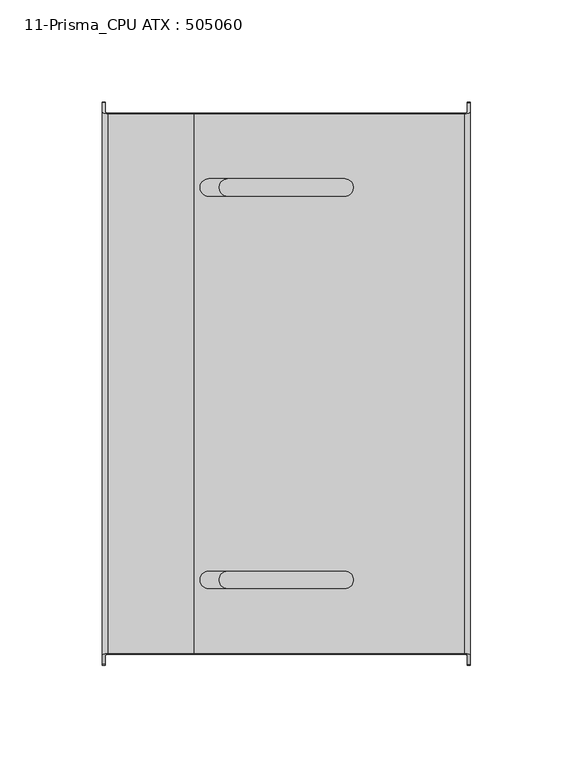
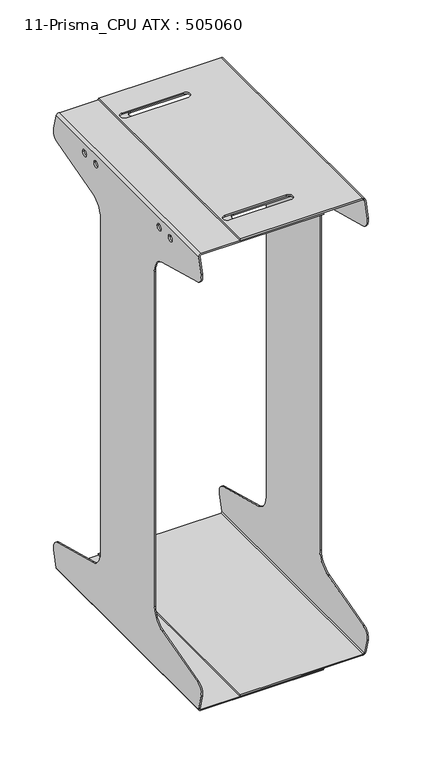
"""IFC4 building model written with IfcOpenShell, lengths in millimetres: furniture geometry, 11-Prisma_CPU ATX : 505060."""

from ifc_helpers import new_model, si_unit, frame, origin, place, context, project, spatial, polyline, circle_curve, ellipse_curve, source, transform, mapped, element, save
from ifc_brep_helpers import plane_surface, cylinder_surface, revolved_surface, advanced_brep


def furniture_11_prisma_cpu_atx_505060_334ce695(model_context):
    return source(origin(), model_context, "Body", "AdvancedBrep", [
        advanced_brep(
        [(122.8, 132.7653718, 518.5), (122.8, -132.7653718, 518.5), (122.8, -137.4118095, 501.1592583), (122.8, -130.3407417, 488.9118095), (122.8, -64.8236191, 471.3565494), (122.8, -50.0, 452.0380329), (122.8, -50.0, 70.9619671), (122.8, -64.8236191, 51.6434506), (122.8, -130.3407417, 34.0881905), (122.8, -137.4118095, 21.8407417), (122.8, -132.7653718, 4.5), (122.8, 132.7653718, 4.5), (122.8, 137.4118095, 21.8407417), (122.8, 130.3407417, 34.0881905), (122.8, 64.8236191, 51.6434506), (122.8, 50.0, 70.9619671), (122.8, 50.0, 452.0380329), (122.8, 64.8236191, 471.3565494), (122.8, 130.3407417, 488.9118095), (122.8, 137.4118095, 501.1592583), (122.8, -76.5, 508.0), (122.8, -83.5, 508.0), (122.8, -55.5, 508.0), (122.8, -62.5, 508.0), (122.8, 62.5, 508.0), (122.8, 55.5, 508.0), (122.8, 83.5, 508.0), (122.8, 76.5, 508.0), (119.8, 131.9615242, 1.5), (119.8, -131.9615242, 1.5), (-12.2, -131.9615242, 1.5), (-12.2, 131.9615242, 1.5), (-12.2, -132.363448, 3.0), (-12.2, 132.363448, 3.0), (119.8, -132.363448, 3.0), (119.8, 132.363448, 3.0), (121.3, 132.7653718, 4.5), (121.3, -132.7653718, 4.5), (121.3, -137.4118095, 21.8407417), (121.3, -130.3407417, 34.0881905), (121.3, -64.8236191, 51.6434506), (121.3, -50.0, 70.9619671), (121.3, -50.0, 452.0380329), (121.3, -64.8236191, 471.3565494), (121.3, -130.3407417, 488.9118095), (121.3, -137.4118095, 501.1592583), (121.3, -132.7653718, 518.5), (121.3, 132.7653718, 518.5), (121.3, 137.4118095, 501.1592583), (121.3, 130.3407417, 488.9118095), (121.3, 64.8236191, 471.3565494), (121.3, 50.0, 452.0380329), (121.3, 50.0, 70.9619671), (121.3, 64.8236191, 51.6434506), (121.3, 130.3407417, 34.0881905), (121.3, 137.4118095, 21.8407417), (121.3, -83.5, 508.0), (121.3, -76.5, 508.0), (121.3, -62.5, 508.0), (121.3, -55.5, 508.0), (121.3, 55.5, 508.0), (121.3, 62.5, 508.0), (121.3, 76.5, 508.0), (121.3, 83.5, 508.0), (119.8, 132.363448, 520.0), (119.8, -132.363448, 520.0), (-12.2, -132.363448, 520.0), (-12.2, 132.363448, 520.0), (-5.15, 91.75, 520.0), (61.35, 91.75, 520.0), (61.35, 100.25, 520.0), (-5.15, 100.25, 520.0), (-5.15, -100.25, 520.0), (61.35, -100.25, 520.0), (61.35, -91.75, 520.0), (-5.15, -91.75, 520.0), (-12.2, -131.9615242, 521.5), (-12.2, 131.9615242, 521.5), (119.8, -131.9615242, 521.5), (119.8, 131.9615242, 521.5), (61.35, 91.75, 521.5), (-5.15, 91.75, 521.5), (-5.15, 100.25, 521.5), (61.35, 100.25, 521.5), (61.35, -100.25, 521.5), (-5.15, -100.25, 521.5), (-5.15, -91.75, 521.5), (61.35, -91.75, 521.5)],
        [
            (0, 1),
            (1, 2),
            (2, 3, circle_curve(frame((122.8, -127.7525513, 498.5710678), z_axis=(1.0, 0.0, 0.0), x_axis=(0.0, -1.0000000000000004, 0.0)), 10.0)),
            (3, 4),
            (4, 5, circle_curve(frame((122.8, -70.0, 452.0380329), z_axis=(-1.0, 0.0, 0.0), x_axis=(0.0, -1.0000000000000004, 0.0)), 20.0)),
            (5, 6),
            (6, 7, circle_curve(frame((122.8, -70.0, 70.9619671), z_axis=(-1.0, 0.0, 0.0), x_axis=(0.0, -1.0000000000000004, 0.0)), 20.0)),
            (7, 8),
            (8, 9, circle_curve(frame((122.8, -127.7525513, 24.4289322), z_axis=(1.0, 0.0, 0.0), x_axis=(0.0, -1.0000000000000004, 0.0)), 10.0)),
            (9, 10),
            (10, 11),
            (11, 12),
            (12, 13, circle_curve(frame((122.8, 127.7525513, 24.4289322), z_axis=(1.0, 0.0, 0.0), x_axis=(0.0, -1.0000000000000004, 0.0)), 10.0)),
            (13, 14),
            (14, 15, circle_curve(frame((122.8, 70.0, 70.9619671), z_axis=(-1.0, 0.0, 0.0), x_axis=(0.0, -1.0000000000000004, 0.0)), 20.0)),
            (15, 16),
            (16, 17, circle_curve(frame((122.8, 70.0, 452.0380329), z_axis=(-1.0, 0.0, 0.0), x_axis=(0.0, -1.0000000000000004, 0.0)), 20.0)),
            (17, 18),
            (18, 19, circle_curve(frame((122.8, 127.7525513, 498.5710678), z_axis=(1.0, 0.0, 0.0), x_axis=(0.0, -1.0000000000000004, 0.0)), 10.0)),
            (19, 0),
            (20, 21, circle_curve(frame((122.8, -80.0, 508.0), z_axis=(-1.0, 0.0, 0.0), x_axis=(0.0, -1.0000000000000004, 0.0)), 3.5)),
            (21, 20, circle_curve(frame((122.8, -80.0, 508.0), z_axis=(-1.0, 0.0, 0.0), x_axis=(0.0, -1.0000000000000004, 0.0)), 3.5)),
            (22, 23, circle_curve(frame((122.8, -59.0, 508.0), z_axis=(-1.0, 0.0, 0.0), x_axis=(0.0, -1.0000000000000004, 0.0)), 3.5)),
            (23, 22, circle_curve(frame((122.8, -59.0, 508.0), z_axis=(-1.0, 0.0, 0.0), x_axis=(0.0, -1.0000000000000004, 0.0)), 3.5)),
            (24, 25, circle_curve(frame((122.8, 59.0, 508.0), z_axis=(-1.0, 0.0, 0.0), x_axis=(0.0, -1.0000000000000004, 0.0)), 3.5)),
            (25, 24, circle_curve(frame((122.8, 59.0, 508.0), z_axis=(-1.0, 0.0, 0.0), x_axis=(0.0, -1.0000000000000004, 0.0)), 3.5)),
            (26, 27, circle_curve(frame((122.8, 80.0, 508.0), z_axis=(-1.0, 0.0, 0.0), x_axis=(0.0, -1.0000000000000004, 0.0)), 3.5)),
            (27, 26, circle_curve(frame((122.8, 80.0, 508.0), z_axis=(-1.0, 0.0, 0.0), x_axis=(0.0, -1.0000000000000004, 0.0)), 3.5)),
            (28, 29),
            (29, 30),
            (30, 31),
            (31, 28),
            (30, 32),
            (32, 33),
            (33, 31),
            (32, 34),
            (34, 35),
            (35, 33),
            (36, 37),
            (37, 38),
            (38, 39, circle_curve(frame((121.3, -127.7525513, 24.4289322), z_axis=(-1.0, 0.0, 0.0), x_axis=(0.0, -1.0000000000000004, 0.0)), 10.0)),
            (39, 40),
            (40, 41, circle_curve(frame((121.3, -70.0, 70.9619671), z_axis=(1.0, 0.0, 0.0), x_axis=(0.0, -1.0000000000000004, 0.0)), 20.0)),
            (41, 42),
            (42, 43, circle_curve(frame((121.3, -70.0, 452.0380329), z_axis=(1.0, 0.0, 0.0), x_axis=(0.0, -1.0000000000000004, 0.0)), 20.0)),
            (43, 44),
            (44, 45, circle_curve(frame((121.3, -127.7525513, 498.5710678), z_axis=(-1.0, 0.0, 0.0), x_axis=(0.0, -1.0000000000000004, 0.0)), 10.0)),
            (45, 46),
            (46, 47),
            (47, 48),
            (48, 49, circle_curve(frame((121.3, 127.7525513, 498.5710678), z_axis=(-1.0, 0.0, 0.0), x_axis=(0.0, -1.0000000000000004, 0.0)), 10.0)),
            (49, 50),
            (50, 51, circle_curve(frame((121.3, 70.0, 452.0380329), z_axis=(1.0, 0.0, 0.0), x_axis=(0.0, -1.0000000000000004, 0.0)), 20.0)),
            (51, 52),
            (52, 53, circle_curve(frame((121.3, 70.0, 70.9619671), z_axis=(1.0, 0.0, 0.0), x_axis=(0.0, -1.0000000000000004, 0.0)), 20.0)),
            (53, 54),
            (54, 55, circle_curve(frame((121.3, 127.7525513, 24.4289322), z_axis=(-1.0, 0.0, 0.0), x_axis=(0.0, -1.0000000000000004, 0.0)), 10.0)),
            (55, 36),
            (56, 57, circle_curve(frame((121.3, -80.0, 508.0), z_axis=(1.0, 0.0, 0.0), x_axis=(0.0, -1.0000000000000004, 0.0)), 3.5)),
            (57, 56, circle_curve(frame((121.3, -80.0, 508.0), z_axis=(1.0, 0.0, 0.0), x_axis=(0.0, -1.0000000000000004, 0.0)), 3.5)),
            (58, 59, circle_curve(frame((121.3, -59.0, 508.0), z_axis=(1.0, 0.0, 0.0), x_axis=(0.0, -1.0000000000000004, 0.0)), 3.5)),
            (59, 58, circle_curve(frame((121.3, -59.0, 508.0), z_axis=(1.0, 0.0, 0.0), x_axis=(0.0, -1.0000000000000004, 0.0)), 3.5)),
            (60, 61, circle_curve(frame((121.3, 59.0, 508.0), z_axis=(1.0, 0.0, 0.0), x_axis=(0.0, -1.0000000000000004, 0.0)), 3.5)),
            (61, 60, circle_curve(frame((121.3, 59.0, 508.0), z_axis=(1.0, 0.0, 0.0), x_axis=(0.0, -1.0000000000000004, 0.0)), 3.5)),
            (62, 63, circle_curve(frame((121.3, 80.0, 508.0), z_axis=(1.0, 0.0, 0.0), x_axis=(0.0, -1.0000000000000004, 0.0)), 3.5)),
            (63, 62, circle_curve(frame((121.3, 80.0, 508.0), z_axis=(1.0, 0.0, 0.0), x_axis=(0.0, -1.0000000000000004, 0.0)), 3.5)),
            (64, 65),
            (65, 66),
            (66, 67),
            (67, 64),
            (68, 69),
            (69, 70, circle_curve(frame((61.35, 96.0, 520.0), z_axis=(0.0, 0.0, 1.0), x_axis=(-1.0000000000000004, 0.0, 0.0)), 4.25)),
            (70, 71),
            (71, 68, circle_curve(frame((-5.15, 96.0, 520.0), z_axis=(0.0, 0.0, 1.0), x_axis=(-1.0000000000000004, 0.0, 0.0)), 4.25)),
            (72, 73),
            (73, 74, circle_curve(frame((61.35, -96.0, 520.0), z_axis=(0.0, 0.0, 1.0), x_axis=(-1.0000000000000004, 0.0, 0.0)), 4.25)),
            (74, 75),
            (75, 72, circle_curve(frame((-5.15, -96.0, 520.0), z_axis=(0.0, 0.0, 1.0), x_axis=(-1.0000000000000004, 0.0, 0.0)), 4.25)),
            (66, 76),
            (76, 77),
            (77, 67),
            (76, 78),
            (78, 79),
            (79, 77),
            (80, 81),
            (81, 82, circle_curve(frame((-5.15, 96.0, 521.5), z_axis=(0.0, 0.0, -1.0), x_axis=(-1.0000000000000004, 0.0, 0.0)), 4.25)),
            (82, 83),
            (83, 80, circle_curve(frame((61.35, 96.0, 521.5), z_axis=(0.0, 0.0, -1.0), x_axis=(-1.0000000000000004, 0.0, 0.0)), 4.25)),
            (84, 85),
            (85, 86, circle_curve(frame((-5.15, -96.0, 521.5), z_axis=(0.0, 0.0, -1.0), x_axis=(-1.0000000000000004, 0.0, 0.0)), 4.25)),
            (86, 87),
            (87, 84, circle_curve(frame((61.35, -96.0, 521.5), z_axis=(0.0, 0.0, -1.0), x_axis=(-1.0000000000000004, 0.0, 0.0)), 4.25)),
            (0, 79, ellipse_curve(frame((119.8, 132.7653718, 518.5), z_axis=(0.0, -0.9659258262889407, -0.2588190451029969), x_axis=(0.0, 0.2588190451029966, -0.9659258262889409)), 3.1058285, 3.0)),
            (78, 1, ellipse_curve(frame((119.8, -132.7653718, 518.5), z_axis=(0.0, 0.9659258262889411, -0.2588190451029957), x_axis=(0.0, 0.2588190451029952, 0.9659258262889411)), 3.1058285, 3.0)),
            (28, 11, ellipse_curve(frame((119.8, 132.7653718, 4.5), z_axis=(0.0, -0.9659258262890739, 0.25881904510250003), x_axis=(0.0, 0.2588190451025, 0.965925826289074)), 3.1058285, 3.0)),
            (10, 29, ellipse_curve(frame((119.8, -132.7653718, 4.5), z_axis=(0.0, 0.9659258262890726, 0.258819045102505), x_axis=(0.0, 0.2588190451025041, -0.9659258262890728)), 3.1058285, 3.0)),
            (36, 35, ellipse_curve(frame((119.8, 132.7653718, 4.5), z_axis=(0.0, 0.9659258262890739, -0.25881904510250003), x_axis=(0.0, -0.2588190451025, -0.965925826289074)), 1.5529143, 1.5)),
            (34, 37, ellipse_curve(frame((119.8, -132.7653718, 4.5), z_axis=(0.0, -0.9659258262890726, -0.258819045102505), x_axis=(0.0, -0.2588190451025041, 0.9659258262890728)), 1.5529143, 1.5)),
            (64, 47, ellipse_curve(frame((119.8, 132.7653718, 518.5), z_axis=(0.0, 0.9659258262889407, 0.2588190451029969), x_axis=(0.0, -0.2588190451029966, 0.9659258262889409)), 1.5529143, 1.5)),
            (46, 65, ellipse_curve(frame((119.8, -132.7653718, 518.5), z_axis=(0.0, -0.9659258262889411, 0.2588190451029957), x_axis=(0.0, -0.2588190451029952, -0.9659258262889411)), 1.5529143, 1.5)),
            (55, 12),
            (54, 13),
            (53, 14),
            (52, 15),
            (51, 16),
            (50, 17),
            (49, 18),
            (48, 19),
            (45, 2),
            (44, 3),
            (43, 4),
            (42, 5),
            (41, 6),
            (40, 7),
            (39, 8),
            (38, 9),
            (20, 57),
            (56, 21),
            (22, 59),
            (58, 23),
            (24, 61),
            (60, 25),
            (26, 63),
            (62, 27),
            (68, 81),
            (80, 69),
            (83, 70),
            (82, 71),
            (72, 85),
            (84, 73),
            (87, 74),
            (86, 75),
        ],
        [
            plane_surface(frame((122.8, 140.0, 518.5), z_axis=(1.0, 0.0, 0.0), x_axis=(0.0, -1.0, 0.0))),
            plane_surface(frame((119.8, 140.0, 1.5), z_axis=(0.0, 0.0, -1.0), x_axis=(0.0, -1.0, 0.0))),
            plane_surface(frame((-12.2, 140.0, 1.5), z_axis=(-1.0, 0.0, 0.0), x_axis=(0.0, -1.0, 0.0))),
            plane_surface(frame((-12.2, 140.0, 3.0), z_axis=(0.0, 0.0, 1.0), x_axis=(0.0, -1.0, 0.0))),
            plane_surface(frame((121.3, 140.0, 4.5), z_axis=(-1.0, 0.0, 0.0), x_axis=(0.0, -1.0, 0.0))),
            plane_surface(frame((119.8, 140.0, 520.0), z_axis=(0.0, 0.0, -1.0), x_axis=(0.0, -1.0, 0.0))),
            plane_surface(frame((-12.2, 140.0, 520.0), z_axis=(-1.0, 0.0, 0.0), x_axis=(0.0, -1.0, 0.0))),
            plane_surface(frame((-12.2, 140.0, 521.5), z_axis=(0.0, 0.0, 1.0), x_axis=(0.0, -1.0, 0.0))),
            cylinder_surface(frame((119.8, -140.0, 518.5), z_axis=(0.0, 1.0000000000000004, 0.0), x_axis=(-1.0000000000000004, 0.0, 0.0)), 3.0),
            cylinder_surface(frame((119.8, -140.0, 4.5), z_axis=(0.0, 1.0000000000000004, 0.0), x_axis=(-1.0000000000000004, 0.0, 0.0)), 3.0),
            revolved_surface(polyline([(118.3, -133.16729559625202, 4.5), (118.3, 133.16729559625225, 4.5)]), (119.8, -140.0, 4.5), (0.0, -1.0000000000000004, 0.0)),
            revolved_surface(polyline([(118.3, -133.16729559625279, 518.5), (118.3, 133.16729559625304, 518.5)]), (119.8, -140.0, 518.5), (0.0, -1.0000000000000004, 0.0)),
            plane_surface(frame((-127.2, 131.9615242, 1.5), z_axis=(0.0, 0.9659258262890739, -0.25881904510250003), x_axis=(1.0, 0.0, 0.0))),
            cylinder_surface(frame((122.8, 127.7525513, 24.4289322), z_axis=(1.0000000000000004, 0.0, 0.0), x_axis=(0.0, -1.0000000000000004, 0.0)), 10.0),
            plane_surface(frame((-127.2, 130.3407417, 34.0881905), z_axis=(0.0, 0.25881904510250403, 0.9659258262890728), x_axis=(1.0, 0.0, 0.0))),
            revolved_surface(polyline([(121.3, 49.99999999999999, 70.9619671), (122.8, 49.99999999999999, 70.9619671)]), (122.8, 70.0, 70.9619671), (-1.0000000000000004, 0.0, 0.0)),
            plane_surface(frame((-127.2, 50.0, 70.9619671), z_axis=(0.0, 1.0, 0.0), x_axis=(1.0, 0.0, 0.0))),
            revolved_surface(polyline([(121.3, 49.99999999999999, 452.0380329), (122.8, 49.99999999999999, 452.0380329)]), (122.8, 70.0, 452.0380329), (-1.0000000000000004, 0.0, 0.0)),
            plane_surface(frame((-127.2, 64.8236191, 471.3565494), z_axis=(0.0, 0.25881904510248677, -0.9659258262890774), x_axis=(1.0, 0.0, 0.0))),
            cylinder_surface(frame((122.8, 127.7525513, 498.5710678), z_axis=(1.0000000000000004, 0.0, 0.0), x_axis=(0.0, -1.0000000000000004, 0.0)), 10.0),
            plane_surface(frame((-127.2, 137.4118095, 501.1592583), z_axis=(0.0, 0.9659258262889407, 0.2588190451029969), x_axis=(1.0, 0.0, 0.0))),
            plane_surface(frame((-127.2, -131.9615242, 521.5), z_axis=(0.0, -0.9659258262889411, 0.2588190451029957), x_axis=(1.0, 0.0, 0.0))),
            cylinder_surface(frame((122.8, -127.7525513, 498.5710678), z_axis=(1.0000000000000004, 0.0, 0.0), x_axis=(0.0, -1.0000000000000004, 0.0)), 10.0),
            plane_surface(frame((-127.2, -130.3407417, 488.9118095), z_axis=(0.0, -0.25881904510248993, -0.9659258262890765), x_axis=(1.0, 0.0, 0.0))),
            revolved_surface(polyline([(121.3, -90.0, 452.0380329), (122.8, -90.0, 452.0380329)]), (122.8, -70.0, 452.0380329), (-1.0000000000000004, 0.0, 0.0)),
            plane_surface(frame((-127.2, -50.0, 452.0380329), z_axis=(0.0, -1.0, 0.0), x_axis=(1.0, 0.0, 0.0))),
            revolved_surface(polyline([(121.3, -90.0, 70.9619671), (122.8, -90.0, 70.9619671)]), (122.8, -70.0, 70.9619671), (-1.0000000000000004, 0.0, 0.0)),
            plane_surface(frame((-127.2, -64.8236191, 51.6434506), z_axis=(0.0, -0.2588190451025042, 0.9659258262890728), x_axis=(1.0, 0.0, 0.0))),
            cylinder_surface(frame((122.8, -127.7525513, 24.4289322), z_axis=(1.0000000000000004, 0.0, 0.0), x_axis=(0.0, -1.0000000000000004, 0.0)), 10.0),
            plane_surface(frame((-127.2, -137.4118095, 21.8407417), z_axis=(0.0, -0.9659258262890726, -0.258819045102505), x_axis=(1.0, 0.0, 0.0))),
            revolved_surface(polyline([(121.3, -83.5, 508.0), (122.8, -83.5, 508.0)]), (122.8, -80.0, 508.0), (-1.0000000000000004, 0.0, 0.0)),
            revolved_surface(polyline([(121.3, -62.5, 508.0), (122.8, -62.5, 508.0)]), (122.8, -59.0, 508.0), (-1.0000000000000004, 0.0, 0.0)),
            revolved_surface(polyline([(121.3, 55.5, 508.0), (122.8, 55.5, 508.0)]), (122.8, 59.0, 508.0), (-1.0000000000000004, 0.0, 0.0)),
            revolved_surface(polyline([(121.3, 76.5, 508.0), (122.8, 76.5, 508.0)]), (122.8, 80.0, 508.0), (-1.0000000000000004, 0.0, 0.0)),
            plane_surface(frame((-5.15, 91.75, 541.5), z_axis=(0.0, 1.0, 0.0), x_axis=(0.0, 0.0, -1.0))),
            revolved_surface(polyline([(57.1, 96.0, 521.5), (57.1, 96.0, 520.0)]), (61.35, 96.0, 501.1592583), (0.0, 0.0, 1.0)),
            plane_surface(frame((61.35, 100.25, 541.5), z_axis=(0.0, -1.0, 0.0), x_axis=(0.0, 0.0, -1.0))),
            revolved_surface(polyline([(-9.400000000000002, 96.0, 521.5), (-9.400000000000002, 96.0, 520.0)]), (-5.15, 96.0, 501.1592583), (0.0, 0.0, 1.0)),
            plane_surface(frame((-5.15, -100.25, 541.5), z_axis=(0.0, 1.0, 0.0), x_axis=(0.0, 0.0, -1.0))),
            revolved_surface(polyline([(57.1, -96.0, 521.5), (57.1, -96.0, 520.0)]), (61.35, -96.0, 1.5), (0.0, 0.0, 1.0)),
            plane_surface(frame((61.35, -91.75, 541.5), z_axis=(0.0, -1.0, 0.0), x_axis=(0.0, 0.0, -1.0))),
            revolved_surface(polyline([(-9.400000000000002, -96.0, 521.5), (-9.400000000000002, -96.0, 520.0)]), (-5.15, -96.0, 1.5), (0.0, 0.0, 1.0)),
        ],
        [
            (0, [[1, 2, 3, 4, 5, 6, 7, 8, 9, 10, 11, 12, 13, 14, 15, 16, 17, 18, 19, 20], [21, 22], [23, 24], [25, 26], [27, 28]]),
            (1, [[29, 30, 31, 32]]),
            (2, [[-31, 33, 34, 35]]),
            (3, [[-34, 36, 37, 38]]),
            (4, [[39, 40, 41, 42, 43, 44, 45, 46, 47, 48, 49, 50, 51, 52, 53, 54, 55, 56, 57, 58], [59, 60], [61, 62], [63, 64], [65, 66]]),
            (5, [[67, 68, 69, 70], [71, 72, 73, 74], [75, 76, 77, 78]]),
            (6, [[-69, 79, 80, 81]]),
            (7, [[-80, 82, 83, 84], [85, 86, 87, 88], [89, 90, 91, 92]]),
            (8, [[-1, 93, -83, 94]]),
            (9, [[-29, 95, -11, 96]]),
            (10, [[-39, 97, -37, 98]]),
            (11, [[-67, 99, -49, 100]]),
            (12, [[101, -12, -95, -32, -35, -38, -97, -58]]),
            (13, [[-101, -57, 102, -13]]),
            (14, [[-102, -56, 103, -14]]),
            (15, [[-103, -55, 104, -15]]),
            (16, [[-104, -54, 105, -16]]),
            (17, [[-105, -53, 106, -17]]),
            (18, [[-106, -52, 107, -18]]),
            (19, [[-107, -51, 108, -19]]),
            (20, [[-108, -50, -99, -70, -81, -84, -93, -20]]),
            (21, [[109, -2, -94, -82, -79, -68, -100, -48]]),
            (22, [[-109, -47, 110, -3]]),
            (23, [[-110, -46, 111, -4]]),
            (24, [[-111, -45, 112, -5]]),
            (25, [[-112, -44, 113, -6]]),
            (26, [[-113, -43, 114, -7]]),
            (27, [[-114, -42, 115, -8]]),
            (28, [[-115, -41, 116, -9]]),
            (29, [[-116, -40, -98, -36, -33, -30, -96, -10]]),
            (30, [[117, -59, 118, -21]]),
            (30, [[-117, -22, -118, -60]]),
            (31, [[119, -61, 120, -23]]),
            (31, [[-119, -24, -120, -62]]),
            (32, [[121, -63, 122, -25]]),
            (32, [[-121, -26, -122, -64]]),
            (33, [[123, -65, 124, -27]]),
            (33, [[-123, -28, -124, -66]]),
            (34, [[125, -85, 126, -71]]),
            (35, [[-126, -88, 127, -72]]),
            (36, [[-127, -87, 128, -73]]),
            (37, [[-125, -74, -128, -86]]),
            (38, [[129, -89, 130, -75]]),
            (39, [[-130, -92, 131, -76]]),
            (40, [[-131, -91, 132, -77]]),
            (41, [[-129, -78, -132, -90]]),
        ],
    ),
        advanced_brep(
        [(-57.2, -132.7653718, 517.0), (-57.2, 132.7653718, 517.0), (-57.2, 137.4118095, 499.6592583), (-57.2, 130.3407417, 487.4118095), (-57.2, 64.8236191, 469.8565494), (-57.2, 50.0, 450.5380329), (-57.2, 50.0, 69.4619671), (-57.2, 64.8236191, 50.1434506), (-57.2, 130.3407417, 32.5881905), (-57.2, 137.4118095, 20.3407417), (-57.2, 132.7653718, 3.0), (-57.2, -132.7653718, 3.0), (-57.2, -137.4118095, 20.3407417), (-57.2, -130.3407417, 32.5881905), (-57.2, -64.8236191, 50.1434506), (-57.2, -50.0, 69.4619671), (-57.2, -50.0, 450.5380329), (-57.2, -64.8236191, 469.8565494), (-57.2, -130.3407417, 487.4118095), (-57.2, -137.4118095, 499.6592583), (-57.2, 76.5, 506.5), (-57.2, 83.5, 506.5), (-57.2, 55.5, 506.5), (-57.2, 62.5, 506.5), (-57.2, -62.5, 506.5), (-57.2, -55.5, 506.5), (-57.2, -83.5, 506.5), (-57.2, -76.5, 506.5), (-54.2, -131.9615242, 0.0), (-54.2, 131.9615242, 0.0), (77.8, 131.9615242, 0.0), (77.8, -131.9615242, 0.0), (77.8, 132.363448, 1.5), (77.8, -132.363448, 1.5), (-54.2, 132.363448, 1.5), (-54.2, -132.363448, 1.5), (-55.7, -132.7653718, 3.0), (-55.7, 132.7653718, 3.0), (-55.7, 137.4118095, 20.3407417), (-55.7, 130.3407417, 32.5881905), (-55.7, 64.8236191, 50.1434506), (-55.7, 50.0, 69.4619671), (-55.7, 50.0, 450.5380329), (-55.7, 64.8236191, 469.8565494), (-55.7, 130.3407417, 487.4118095), (-55.7, 137.4118095, 499.6592583), (-55.7, 132.7653718, 517.0), (-55.7, -132.7653718, 517.0), (-55.7, -137.4118095, 499.6592583), (-55.7, -130.3407417, 487.4118095), (-55.7, -64.8236191, 469.8565494), (-55.7, -50.0, 450.5380329), (-55.7, -50.0, 69.4619671), (-55.7, -64.8236191, 50.1434506), (-55.7, -130.3407417, 32.5881905), (-55.7, -137.4118095, 20.3407417), (-55.7, 83.5, 506.5), (-55.7, 76.5, 506.5), (-55.7, 62.5, 506.5), (-55.7, 55.5, 506.5), (-55.7, -55.5, 506.5), (-55.7, -62.5, 506.5), (-55.7, -76.5, 506.5), (-55.7, -83.5, 506.5), (-54.2, -132.363448, 518.5), (-54.2, 132.363448, 518.5), (77.8, 132.363448, 518.5), (77.8, -132.363448, 518.5), (70.75, -91.75, 518.5), (4.25, -91.75, 518.5), (4.25, -100.25, 518.5), (70.75, -100.25, 518.5), (70.75, 100.25, 518.5), (4.25, 100.25, 518.5), (4.25, 91.75, 518.5), (70.75, 91.75, 518.5), (77.8, 131.9615242, 520.0), (77.8, -131.9615242, 520.0), (-54.2, 131.9615242, 520.0), (-54.2, -131.9615242, 520.0), (4.25, -91.75, 520.0), (70.75, -91.75, 520.0), (70.75, -100.25, 520.0), (4.25, -100.25, 520.0), (4.25, 100.25, 520.0), (70.75, 100.25, 520.0), (70.75, 91.75, 520.0), (4.25, 91.75, 520.0)],
        [
            (0, 1),
            (1, 2),
            (2, 3, circle_curve(frame((-57.2, 127.7525513, 497.0710678), z_axis=(-1.0, 0.0, 0.0), x_axis=(0.0, 1.0, 0.0)), 10.0)),
            (3, 4),
            (4, 5, circle_curve(frame((-57.2, 70.0, 450.5380329), z_axis=(1.0, 0.0, 0.0), x_axis=(0.0, 1.0, 0.0)), 20.0)),
            (5, 6),
            (6, 7, circle_curve(frame((-57.2, 70.0, 69.4619671), z_axis=(1.0, 0.0, 0.0), x_axis=(0.0, 1.0, 0.0)), 20.0)),
            (7, 8),
            (8, 9, circle_curve(frame((-57.2, 127.7525513, 22.9289322), z_axis=(-1.0, 0.0, 0.0), x_axis=(0.0, 1.0, 0.0)), 10.0)),
            (9, 10),
            (10, 11),
            (11, 12),
            (12, 13, circle_curve(frame((-57.2, -127.7525513, 22.9289322), z_axis=(-1.0, 0.0, 0.0), x_axis=(0.0, 1.0, 0.0)), 10.0)),
            (13, 14),
            (14, 15, circle_curve(frame((-57.2, -70.0, 69.4619671), z_axis=(1.0, 0.0, 0.0), x_axis=(0.0, 1.0, 0.0)), 20.0)),
            (15, 16),
            (16, 17, circle_curve(frame((-57.2, -70.0, 450.5380329), z_axis=(1.0, 0.0, 0.0), x_axis=(0.0, 1.0, 0.0)), 20.0)),
            (17, 18),
            (18, 19, circle_curve(frame((-57.2, -127.7525513, 497.0710678), z_axis=(-1.0, 0.0, 0.0), x_axis=(0.0, 1.0, 0.0)), 10.0)),
            (19, 0),
            (20, 21, circle_curve(frame((-57.2, 80.0, 506.5), z_axis=(1.0, 0.0, 0.0), x_axis=(0.0, 1.0, 0.0)), 3.5)),
            (21, 20, circle_curve(frame((-57.2, 80.0, 506.5), z_axis=(1.0, 0.0, 0.0), x_axis=(0.0, 1.0, 0.0)), 3.5)),
            (22, 23, circle_curve(frame((-57.2, 59.0, 506.5), z_axis=(1.0, 0.0, 0.0), x_axis=(0.0, 1.0, 0.0)), 3.5)),
            (23, 22, circle_curve(frame((-57.2, 59.0, 506.5), z_axis=(1.0, 0.0, 0.0), x_axis=(0.0, 1.0, 0.0)), 3.5)),
            (24, 25, circle_curve(frame((-57.2, -59.0, 506.5), z_axis=(1.0, 0.0, 0.0), x_axis=(0.0, 1.0, 0.0)), 3.5)),
            (25, 24, circle_curve(frame((-57.2, -59.0, 506.5), z_axis=(1.0, 0.0, 0.0), x_axis=(0.0, 1.0, 0.0)), 3.5)),
            (26, 27, circle_curve(frame((-57.2, -80.0, 506.5), z_axis=(1.0, 0.0, 0.0), x_axis=(0.0, 1.0, 0.0)), 3.5)),
            (27, 26, circle_curve(frame((-57.2, -80.0, 506.5), z_axis=(1.0, 0.0, 0.0), x_axis=(0.0, 1.0, 0.0)), 3.5)),
            (28, 29),
            (29, 30),
            (30, 31),
            (31, 28),
            (30, 32),
            (32, 33),
            (33, 31),
            (32, 34),
            (34, 35),
            (35, 33),
            (36, 37),
            (37, 38),
            (38, 39, circle_curve(frame((-55.7, 127.7525513, 22.9289322), z_axis=(1.0, 0.0, 0.0), x_axis=(0.0, 1.0, 0.0)), 10.0)),
            (39, 40),
            (40, 41, circle_curve(frame((-55.7, 70.0, 69.4619671), z_axis=(-1.0, 0.0, 0.0), x_axis=(0.0, 1.0, 0.0)), 20.0)),
            (41, 42),
            (42, 43, circle_curve(frame((-55.7, 70.0, 450.5380329), z_axis=(-1.0, 0.0, 0.0), x_axis=(0.0, 1.0, 0.0)), 20.0)),
            (43, 44),
            (44, 45, circle_curve(frame((-55.7, 127.7525513, 497.0710678), z_axis=(1.0, 0.0, 0.0), x_axis=(0.0, 1.0, 0.0)), 10.0)),
            (45, 46),
            (46, 47),
            (47, 48),
            (48, 49, circle_curve(frame((-55.7, -127.7525513, 497.0710678), z_axis=(1.0, 0.0, 0.0), x_axis=(0.0, 1.0, 0.0)), 10.0)),
            (49, 50),
            (50, 51, circle_curve(frame((-55.7, -70.0, 450.5380329), z_axis=(-1.0, 0.0, 0.0), x_axis=(0.0, 1.0, 0.0)), 20.0)),
            (51, 52),
            (52, 53, circle_curve(frame((-55.7, -70.0, 69.4619671), z_axis=(-1.0, 0.0, 0.0), x_axis=(0.0, 1.0, 0.0)), 20.0)),
            (53, 54),
            (54, 55, circle_curve(frame((-55.7, -127.7525513, 22.9289322), z_axis=(1.0, 0.0, 0.0), x_axis=(0.0, 1.0, 0.0)), 10.0)),
            (55, 36),
            (56, 57, circle_curve(frame((-55.7, 80.0, 506.5), z_axis=(-1.0, 0.0, 0.0), x_axis=(0.0, 1.0, 0.0)), 3.5)),
            (57, 56, circle_curve(frame((-55.7, 80.0, 506.5), z_axis=(-1.0, 0.0, 0.0), x_axis=(0.0, 1.0, 0.0)), 3.5)),
            (58, 59, circle_curve(frame((-55.7, 59.0, 506.5), z_axis=(-1.0, 0.0, 0.0), x_axis=(0.0, 1.0, 0.0)), 3.5)),
            (59, 58, circle_curve(frame((-55.7, 59.0, 506.5), z_axis=(-1.0, 0.0, 0.0), x_axis=(0.0, 1.0, 0.0)), 3.5)),
            (60, 61, circle_curve(frame((-55.7, -59.0, 506.5), z_axis=(-1.0, 0.0, 0.0), x_axis=(0.0, 1.0, 0.0)), 3.5)),
            (61, 60, circle_curve(frame((-55.7, -59.0, 506.5), z_axis=(-1.0, 0.0, 0.0), x_axis=(0.0, 1.0, 0.0)), 3.5)),
            (62, 63, circle_curve(frame((-55.7, -80.0, 506.5), z_axis=(-1.0, 0.0, 0.0), x_axis=(0.0, 1.0, 0.0)), 3.5)),
            (63, 62, circle_curve(frame((-55.7, -80.0, 506.5), z_axis=(-1.0, 0.0, 0.0), x_axis=(0.0, 1.0, 0.0)), 3.5)),
            (64, 65),
            (65, 66),
            (66, 67),
            (67, 64),
            (68, 69),
            (69, 70, circle_curve(frame((4.25, -96.0, 518.5), z_axis=(0.0, 0.0, 1.0), x_axis=(1.0, 0.0, 0.0)), 4.25)),
            (70, 71),
            (71, 68, circle_curve(frame((70.75, -96.0, 518.5), z_axis=(0.0, 0.0, 1.0), x_axis=(1.0, 0.0, 0.0)), 4.25)),
            (72, 73),
            (73, 74, circle_curve(frame((4.25, 96.0, 518.5), z_axis=(0.0, 0.0, 1.0), x_axis=(1.0, 0.0, 0.0)), 4.25)),
            (74, 75),
            (75, 72, circle_curve(frame((70.75, 96.0, 518.5), z_axis=(0.0, 0.0, 1.0), x_axis=(1.0, 0.0, 0.0)), 4.25)),
            (66, 76),
            (76, 77),
            (77, 67),
            (76, 78),
            (78, 79),
            (79, 77),
            (80, 81),
            (81, 82, circle_curve(frame((70.75, -96.0, 520.0), z_axis=(0.0, 0.0, -1.0), x_axis=(1.0, 0.0, 0.0)), 4.25)),
            (82, 83),
            (83, 80, circle_curve(frame((4.25, -96.0, 520.0), z_axis=(0.0, 0.0, -1.0), x_axis=(1.0, 0.0, 0.0)), 4.25)),
            (84, 85),
            (85, 86, circle_curve(frame((70.75, 96.0, 520.0), z_axis=(0.0, 0.0, -1.0), x_axis=(1.0, 0.0, 0.0)), 4.25)),
            (86, 87),
            (87, 84, circle_curve(frame((4.25, 96.0, 520.0), z_axis=(0.0, 0.0, -1.0), x_axis=(1.0, 0.0, 0.0)), 4.25)),
            (0, 79, ellipse_curve(frame((-54.2, -132.7653718, 517.0), z_axis=(0.0, 0.9659258262889407, -0.2588190451029968), x_axis=(0.0, -0.2588190451029967, -0.9659258262889409)), 3.1058285, 3.0)),
            (78, 1, ellipse_curve(frame((-54.2, 132.7653718, 517.0), z_axis=(0.0, -0.9659258262889411, -0.2588190451029956), x_axis=(0.0, -0.25881904510299536, 0.9659258262889411)), 3.1058285, 3.0)),
            (28, 11, ellipse_curve(frame((-54.2, -132.7653718, 3.0), z_axis=(0.0, 0.9659258262890739, 0.2588190451024999), x_axis=(0.0, -0.25881904510250003, 0.9659258262890736)), 3.1058285, 3.0)),
            (10, 29, ellipse_curve(frame((-54.2, 132.7653718, 3.0), z_axis=(0.0, -0.9659258262890726, 0.25881904510250486), x_axis=(0.0, -0.2588190451025042, -0.9659258262890728)), 3.1058285, 3.0)),
            (36, 35, ellipse_curve(frame((-54.2, -132.7653718, 3.0), z_axis=(0.0, -0.9659258262890739, -0.2588190451024999), x_axis=(0.0, 0.25881904510250003, -0.9659258262890736)), 1.5529143, 1.5)),
            (34, 37, ellipse_curve(frame((-54.2, 132.7653718, 3.0), z_axis=(0.0, 0.9659258262890726, -0.25881904510250486), x_axis=(0.0, 0.2588190451025042, 0.9659258262890728)), 1.5529143, 1.5)),
            (64, 47, ellipse_curve(frame((-54.2, -132.7653718, 517.0), z_axis=(0.0, -0.9659258262889407, 0.2588190451029968), x_axis=(0.0, 0.2588190451029967, 0.9659258262889409)), 1.5529143, 1.5)),
            (46, 65, ellipse_curve(frame((-54.2, 132.7653718, 517.0), z_axis=(0.0, 0.9659258262889411, 0.2588190451029956), x_axis=(0.0, 0.25881904510299536, -0.9659258262889411)), 1.5529143, 1.5)),
            (55, 12),
            (54, 13),
            (53, 14),
            (52, 15),
            (51, 16),
            (50, 17),
            (49, 18),
            (48, 19),
            (45, 2),
            (44, 3),
            (43, 4),
            (42, 5),
            (41, 6),
            (40, 7),
            (39, 8),
            (38, 9),
            (20, 57),
            (56, 21),
            (22, 59),
            (58, 23),
            (24, 61),
            (60, 25),
            (26, 63),
            (62, 27),
            (68, 81),
            (80, 69),
            (83, 70),
            (82, 71),
            (72, 85),
            (84, 73),
            (87, 74),
            (86, 75),
        ],
        [
            plane_surface(frame((-57.2, -140.0, 517.0), z_axis=(-1.0, 0.0, 0.0), x_axis=(0.0, 1.0, 0.0))),
            plane_surface(frame((-54.2, -140.0, 0.0), z_axis=(0.0, 0.0, -1.0), x_axis=(0.0, 1.0, 0.0))),
            plane_surface(frame((77.8, -140.0, 0.0), z_axis=(1.0, 0.0, 0.0), x_axis=(0.0, 1.0, 0.0))),
            plane_surface(frame((77.8, -140.0, 1.5), z_axis=(0.0, 0.0, 1.0), x_axis=(0.0, 1.0, 0.0))),
            plane_surface(frame((-55.7, -140.0, 3.0), z_axis=(1.0, 0.0, 0.0), x_axis=(0.0, 1.0, 0.0))),
            plane_surface(frame((-54.2, -140.0, 518.5), z_axis=(0.0, 0.0, -1.0), x_axis=(0.0, 1.0, 0.0))),
            plane_surface(frame((77.8, -140.0, 518.5), z_axis=(1.0, 0.0, 0.0), x_axis=(0.0, 1.0, 0.0))),
            plane_surface(frame((77.8, -140.0, 520.0), z_axis=(0.0, 0.0, 1.0), x_axis=(0.0, 1.0, 0.0))),
            cylinder_surface(frame((-54.2, 140.0, 517.0), z_axis=(0.0, -1.0, 0.0), x_axis=(1.0, 0.0, 0.0)), 3.0),
            cylinder_surface(frame((-54.2, 140.0, 3.0), z_axis=(0.0, -1.0, 0.0), x_axis=(1.0, 0.0, 0.0)), 3.0),
            revolved_surface(polyline([(-52.7, 133.16729559625202, 3.0), (-52.7, -133.16729559625202, 3.0)]), (-54.2, 140.0, 3.0), (0.0, 1.0, 0.0)),
            revolved_surface(polyline([(-52.7, 133.16729559625279, 517.0), (-52.7, -133.1672955962528, 517.0)]), (-54.2, 140.0, 517.0), (0.0, 1.0, 0.0)),
            plane_surface(frame((192.8, -131.9615242, 0.0), z_axis=(0.0, -0.9659258262890739, -0.2588190451024999), x_axis=(-1.0, 0.0, 0.0))),
            cylinder_surface(frame((-57.2, -127.7525513, 22.9289322), z_axis=(-1.0, 0.0, 0.0), x_axis=(0.0, 1.0, 0.0)), 10.0),
            plane_surface(frame((192.8, -130.3407417, 32.5881905), z_axis=(0.0, -0.25881904510250414, 0.9659258262890728), x_axis=(-1.0, 0.0, 0.0))),
            revolved_surface(polyline([(-55.7, -50.0, 69.4619671), (-57.2, -50.0, 69.4619671)]), (-57.2, -70.0, 69.4619671), (1.0, 0.0, 0.0)),
            plane_surface(frame((192.8, -50.0, 69.4619671), z_axis=(0.0, -1.0, 0.0), x_axis=(-1.0, 0.0, 0.0))),
            revolved_surface(polyline([(-55.7, -50.0, 450.5380329), (-57.2, -50.0, 450.5380329)]), (-57.2, -70.0, 450.5380329), (1.0, 0.0, 0.0)),
            plane_surface(frame((192.8, -64.8236191, 469.8565494), z_axis=(0.0, -0.2588190451024869, -0.9659258262890774), x_axis=(-1.0, 0.0, 0.0))),
            cylinder_surface(frame((-57.2, -127.7525513, 497.0710678), z_axis=(-1.0, 0.0, 0.0), x_axis=(0.0, 1.0, 0.0)), 10.0),
            plane_surface(frame((192.8, -137.4118095, 499.6592583), z_axis=(0.0, -0.9659258262889407, 0.2588190451029968), x_axis=(-1.0, 0.0, 0.0))),
            plane_surface(frame((192.8, 131.9615242, 520.0), z_axis=(0.0, 0.9659258262889411, 0.2588190451029956), x_axis=(-1.0, 0.0, 0.0))),
            cylinder_surface(frame((-57.2, 127.7525513, 497.0710678), z_axis=(-1.0, 0.0, 0.0), x_axis=(0.0, 1.0, 0.0)), 10.0),
            plane_surface(frame((192.8, 130.3407417, 487.4118095), z_axis=(0.0, 0.25881904510249004, -0.9659258262890765), x_axis=(-1.0, 0.0, 0.0))),
            revolved_surface(polyline([(-55.7, 90.0, 450.5380329), (-57.2, 90.0, 450.5380329)]), (-57.2, 70.0, 450.5380329), (1.0, 0.0, 0.0)),
            plane_surface(frame((192.8, 50.0, 450.5380329), z_axis=(0.0, 1.0, 0.0), x_axis=(-1.0, 0.0, 0.0))),
            revolved_surface(polyline([(-55.7, 90.0, 69.4619671), (-57.2, 90.0, 69.4619671)]), (-57.2, 70.0, 69.4619671), (1.0, 0.0, 0.0)),
            plane_surface(frame((192.8, 64.8236191, 50.1434506), z_axis=(0.0, 0.2588190451025043, 0.9659258262890728), x_axis=(-1.0, 0.0, 0.0))),
            cylinder_surface(frame((-57.2, 127.7525513, 22.9289322), z_axis=(-1.0, 0.0, 0.0), x_axis=(0.0, 1.0, 0.0)), 10.0),
            plane_surface(frame((192.8, 137.4118095, 20.3407417), z_axis=(0.0, 0.9659258262890726, -0.25881904510250486), x_axis=(-1.0, 0.0, 0.0))),
            revolved_surface(polyline([(-55.7, 83.5, 506.5), (-57.2, 83.5, 506.5)]), (-57.2, 80.0, 506.5), (1.0, 0.0, 0.0)),
            revolved_surface(polyline([(-55.7, 62.5, 506.5), (-57.2, 62.5, 506.5)]), (-57.2, 59.0, 506.5), (1.0, 0.0, 0.0)),
            revolved_surface(polyline([(-55.7, -55.5, 506.5), (-57.2, -55.5, 506.5)]), (-57.2, -59.0, 506.5), (1.0, 0.0, 0.0)),
            revolved_surface(polyline([(-55.7, -76.5, 506.5), (-57.2, -76.5, 506.5)]), (-57.2, -80.0, 506.5), (1.0, 0.0, 0.0)),
            plane_surface(frame((70.75, -91.75, 540.0), z_axis=(0.0, -1.0, 0.0), x_axis=(0.0, 0.0, -1.0))),
            revolved_surface(polyline([(8.5, -96.0, 520.0), (8.5, -96.0, 518.5)]), (4.25, -96.0, 499.6592583), (0.0, 0.0, 1.0)),
            plane_surface(frame((4.25, -100.25, 540.0), z_axis=(0.0, 1.0, 0.0), x_axis=(0.0, 0.0, -1.0))),
            revolved_surface(polyline([(75.0, -96.0, 520.0), (75.0, -96.0, 518.5)]), (70.75, -96.0, 499.6592583), (0.0, 0.0, 1.0)),
            plane_surface(frame((70.75, 100.25, 540.0), z_axis=(0.0, -1.0, 0.0), x_axis=(0.0, 0.0, -1.0))),
            revolved_surface(polyline([(8.5, 96.0, 520.0), (8.5, 96.0, 518.5)]), (4.25, 96.0, 0.0), (0.0, 0.0, 1.0)),
            plane_surface(frame((4.25, 91.75, 540.0), z_axis=(0.0, 1.0, 0.0), x_axis=(0.0, 0.0, -1.0))),
            revolved_surface(polyline([(75.0, 96.0, 520.0), (75.0, 96.0, 518.5)]), (70.75, 96.0, 0.0), (0.0, 0.0, 1.0)),
        ],
        [
            (0, [[1, 2, 3, 4, 5, 6, 7, 8, 9, 10, 11, 12, 13, 14, 15, 16, 17, 18, 19, 20], [21, 22], [23, 24], [25, 26], [27, 28]]),
            (1, [[29, 30, 31, 32]]),
            (2, [[-31, 33, 34, 35]]),
            (3, [[-34, 36, 37, 38]]),
            (4, [[39, 40, 41, 42, 43, 44, 45, 46, 47, 48, 49, 50, 51, 52, 53, 54, 55, 56, 57, 58], [59, 60], [61, 62], [63, 64], [65, 66]]),
            (5, [[67, 68, 69, 70], [71, 72, 73, 74], [75, 76, 77, 78]]),
            (6, [[-69, 79, 80, 81]]),
            (7, [[-80, 82, 83, 84], [85, 86, 87, 88], [89, 90, 91, 92]]),
            (8, [[-1, 93, -83, 94]]),
            (9, [[-29, 95, -11, 96]]),
            (10, [[-39, 97, -37, 98]]),
            (11, [[-67, 99, -49, 100]]),
            (12, [[101, -12, -95, -32, -35, -38, -97, -58]]),
            (13, [[-101, -57, 102, -13]]),
            (14, [[-102, -56, 103, -14]]),
            (15, [[-103, -55, 104, -15]]),
            (16, [[-104, -54, 105, -16]]),
            (17, [[-105, -53, 106, -17]]),
            (18, [[-106, -52, 107, -18]]),
            (19, [[-107, -51, 108, -19]]),
            (20, [[-108, -50, -99, -70, -81, -84, -93, -20]]),
            (21, [[109, -2, -94, -82, -79, -68, -100, -48]]),
            (22, [[-109, -47, 110, -3]]),
            (23, [[-110, -46, 111, -4]]),
            (24, [[-111, -45, 112, -5]]),
            (25, [[-112, -44, 113, -6]]),
            (26, [[-113, -43, 114, -7]]),
            (27, [[-114, -42, 115, -8]]),
            (28, [[-115, -41, 116, -9]]),
            (29, [[-116, -40, -98, -36, -33, -30, -96, -10]]),
            (30, [[117, -59, 118, -21]]),
            (30, [[-117, -22, -118, -60]]),
            (31, [[119, -61, 120, -23]]),
            (31, [[-119, -24, -120, -62]]),
            (32, [[121, -63, 122, -25]]),
            (32, [[-121, -26, -122, -64]]),
            (33, [[123, -65, 124, -27]]),
            (33, [[-123, -28, -124, -66]]),
            (34, [[125, -85, 126, -71]]),
            (35, [[-126, -88, 127, -72]]),
            (36, [[-127, -87, 128, -73]]),
            (37, [[-125, -74, -128, -86]]),
            (38, [[129, -89, 130, -75]]),
            (39, [[-130, -92, 131, -76]]),
            (40, [[-131, -91, 132, -77]]),
            (41, [[-129, -78, -132, -90]]),
        ],
    ),
    ])


if __name__ == "__main__":
    model = new_model("IFC4")
    model_context = context("Model", 3, world=origin())
    ifc_project = project(units=[si_unit("LENGTHUNIT", "METRE", prefix="MILLI")], contexts=[model_context])
    site = spatial("IfcSite", under=ifc_project)
    building = spatial("IfcBuilding", under=site)
    placement = place(None, origin())
    furniture_11_prisma_cpu_atx_505060_shape = furniture_11_prisma_cpu_atx_505060_334ce695(model_context)
    element("IfcFurniture", 1, ObjectType="11-Prisma_CPU ATX : 505060", at=placement, inside=building, context=model_context, shape_type="MappedRepresentation", body=[
        mapped(furniture_11_prisma_cpu_atx_505060_shape, transform((0.0, 0.0, 0.0), x_axis=(1.0, 0.0, 0.0), y_axis=(0.0, 1.0, 0.0), z_axis=(0.0, 0.0, 1.0))),
    ])
    save(model, "model.ifc")
